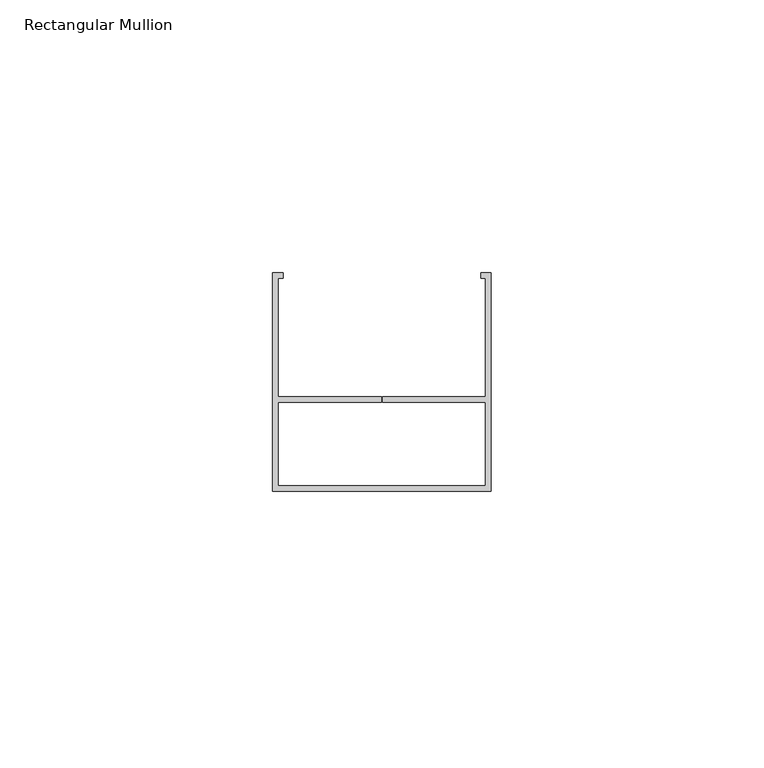
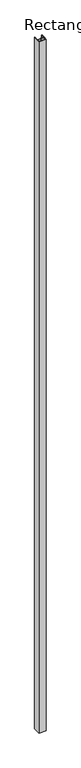
"""IFC4 building model written with IfcOpenShell, lengths in millimetres: member geometry, Rectangular Mullion."""

from ifc_helpers import new_model, si_unit, frame, origin, place, context, project, spatial, polyline, outline, extrude, source, transform, mapped, element, save


def rectangular_mullion_79e17a71(model_context):
    return source(origin(), model_context, "Body", "SweptSolid", [
        extrude(outline(polyline([(-20.0, -20.0), (-20.0, 20.0), (-18.1456638, 20.0), (-18.1456638, 19.0), (-19.0, 19.0), (-19.0, -2.6912936), (-0.0934793, -2.6912936), (-0.0934793, -3.6912936), (-19.0, -3.6912936), (-19.0, -19.0), (19.0, -19.0), (19.0, -3.6912936), (0.0940207, -3.6912936), (0.0940207, -2.6912936), (19.0, -2.6912936), (19.0, 19.0), (18.121247, 19.0), (18.121247, 20.0), (20.0, 20.0), (20.0, -20.0), (-20.0, -20.0)])), frame((0.0, 0.0, -4000.0), z_axis=(0.0, 0.0, 1.0), x_axis=(1.0, 0.0, 0.0)), (0.0, 0.0, 1.0), 4000.0),
    ])


if __name__ == "__main__":
    model = new_model("IFC4")
    model_context = context("Model", 3, world=origin())
    ifc_project = project(units=[si_unit("LENGTHUNIT", "METRE", prefix="MILLI")], contexts=[model_context])
    site = spatial("IfcSite", under=ifc_project)
    building = spatial("IfcBuilding", under=site)
    placement = place(None, origin())
    rectangular_mullion_shape = rectangular_mullion_79e17a71(model_context)
    element("IfcMember", 1, ObjectType="Rectangular Mullion", at=placement, inside=building, context=model_context, shape_type="MappedRepresentation", body=[
        mapped(rectangular_mullion_shape, transform((0.0, 0.0, 0.0), x_axis=(1.0, 0.0, 0.0), y_axis=(0.0, 1.0, 0.0), z_axis=(0.0, 0.0, 1.0))),
    ])
    save(model, "model.ifc")
